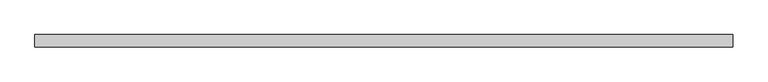
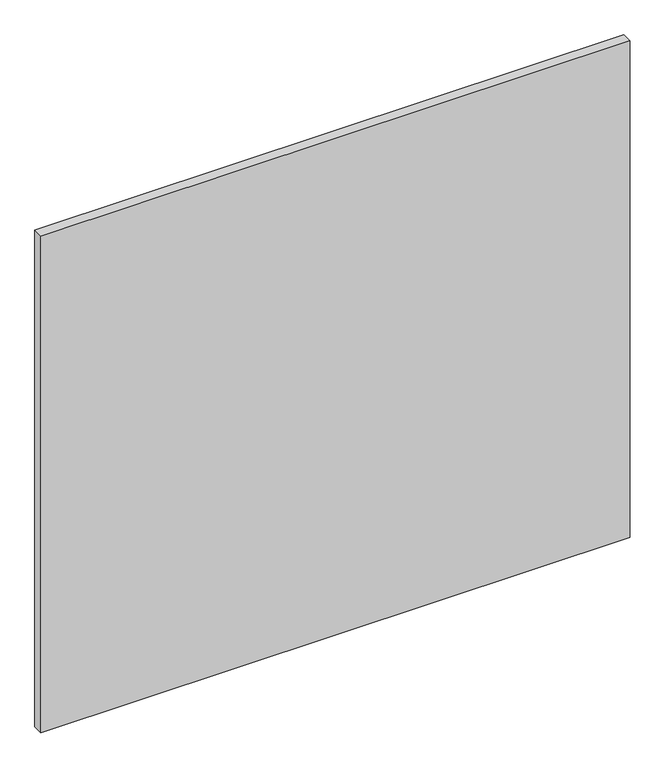
"""IFC4 building model written with IfcOpenShell, lengths in millimetres: plate geometry."""

from ifc_helpers import new_model, si_unit, origin, origin_with_axes, place, context, project, spatial, polyline, outline, extrude, source, transform, mapped, element, save


def plate_3986c45c(model_context):
    return source(origin(), model_context, "Body", "SweptSolid", [
        extrude(outline(polyline([(575.0, 20.0), (-575.0, 20.0), (-575.0, 40.0), (575.0, 40.0), (575.0, 20.0)])), origin_with_axes(), (0.0, 0.0, 1.0), 1025.0),
    ])


if __name__ == "__main__":
    model = new_model("IFC4")
    model_context = context("Model", 3, world=origin())
    ifc_project = project(units=[si_unit("LENGTHUNIT", "METRE", prefix="MILLI")], contexts=[model_context])
    site = spatial("IfcSite", under=ifc_project)
    building = spatial("IfcBuilding", under=site)
    placement = place(None, origin())
    plate_shape = plate_3986c45c(model_context)
    element("IfcPlate", 1, at=placement, inside=building, context=model_context, shape_type="MappedRepresentation", body=[
        mapped(plate_shape, transform((0.0, 0.0, 0.0), x_axis=(1.0, 0.0, 0.0), y_axis=(0.0, 1.0, 0.0), z_axis=(0.0, 0.0, 1.0))),
    ])
    save(model, "model.ifc")
